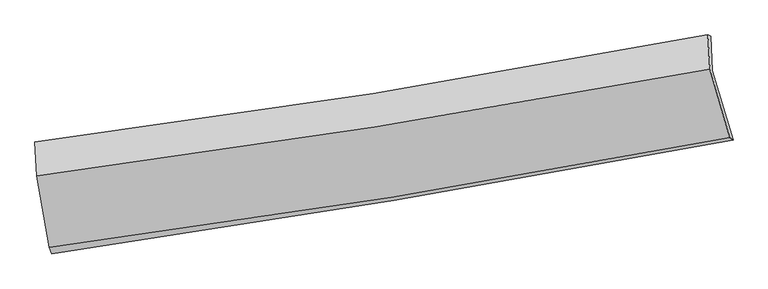
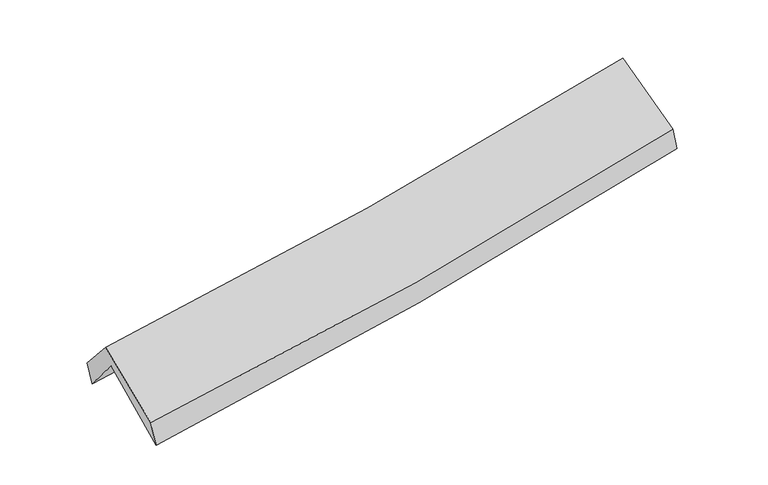
"""IFC4 building model written with IfcOpenShell, lengths in millimetres: proxy geometry."""

from ifc_helpers import new_model, si_unit, frame, origin, place, context, project, spatial, source, transform, mapped, element, save
from ifc_brep_helpers import plane_surface, spline_curve, spline_surface, advanced_brep


def generic_models_dbdd75b5(model_context):
    return source(origin(), model_context, "Body", "AdvancedBrep", [
        advanced_brep(
        [(-2373.927804, -2484.4799942, 1483.1804851), (-2465.0997259, -1982.1192052, 1926.5199475), (2389.1096616, -1163.3383759, 2369.3539928), (2537.7816084, -1663.6913171, 1940.7549733), (-2478.7051949, -1719.6496556, 1611.1936672), (2377.8375986, -915.2582603, 2057.9961861), (-2494.3738738, -1678.7815343, 1779.890353), (2356.4847947, -904.5279292, 2219.5821223), (-2480.8942376, -1924.7405617, 2063.6475704), (2370.6525845, -1151.1952858, 2504.3339785), (-2391.0060687, -2437.2356509, 1661.560884), (2513.4270583, -1645.1967492, 2114.8202515)],
        [
            (0, 1),
            (1, 2, spline_curve(3, [(-2465.0997259, -1982.1192052, 1926.5199475), (-1646.777235575, -1876.609281174, 1970.376927599), (-832.595788496, -1755.517364156, 2029.273454382), (785.453260162, -1482.512353108, 2176.960153172), (1589.341608869, -1330.677326903, 2265.674974925), (2389.1096616, -1163.3383759, 2369.3539928)], [4, 2, 4], [0.0, 8.16835491140468, 16.316221801808652])),
            (2, 3),
            (3, 0, spline_curve(3, [(2537.7816084, -1663.6913171, 1940.7549733), (1724.928068135, -1818.298294514, 1840.940795323), (909.709117329, -1963.926241242, 1752.935532748), (-727.515442648, -2237.567679574, 1600.351240976), (-1549.532962718, -2365.535958858, 1535.83167429), (-2373.927804, -2484.4799942, 1483.1804851)], [4, 2, 4], [0.0, 8.147866890403971, 16.316221801808652])),
            (1, 4),
            (4, 5, spline_curve(3, [(-2478.7051949, -1719.6496556, 1611.1936672), (-1660.773072974, -1611.732443147, 1654.386739472), (-846.591625916, -1490.640526271, 1713.283266023), (772.237180453, -1222.444053987, 1862.296115705), (1576.903331395, -1075.405505742, 1952.333761812), (2377.8375986, -915.2582603, 2057.9961861)], [4, 2, 4], [0.0, 8.121668316804609, 16.222965712800775])),
            (5, 2),
            (4, 6),
            (6, 7, spline_curve(3, [(-2494.3738738, -1678.7815343, 1779.890353), (-1678.903942105, -1573.568485876, 1832.294134615), (-866.426911732, -1456.344747107, 1895.196181684), (750.510982657, -1198.200036512, 2041.812702675), (1554.986842027, -1057.33924038, 2125.474578819), (2356.4847947, -904.5279292, 2219.5821223)], [4, 2, 4], [0.0, 8.111986041125789, 16.2036254467086])),
            (7, 5),
            (6, 8),
            (8, 9, spline_curve(3, [(-2480.8942376, -1924.7405617, 2063.6475704), (-1665.429544246, -1817.671956665, 2113.929869226), (-852.89763973, -1699.58078027, 2175.855601903), (764.269940841, -1441.677130254, 2322.809406335), (1568.920310101, -1301.919881373, 2407.77914323), (2370.6525845, -1151.1952858, 2504.3339785)], [4, 2, 4], [0.0, 8.102920154688695, 16.18551641306082])),
            (9, 7),
            (8, 10),
            (10, 11, spline_curve(3, [(-2391.0060687, -2437.2356509, 1661.560884), (-1566.549564588, -2330.726054829, 1711.080683242), (-745.109132787, -2211.369023759, 1773.676024265), (889.686798458, -1947.291688763, 1924.827990608), (1703.057409157, -1802.635752891, 2013.319105272), (2513.4270583, -1645.1967492, 2114.8202515)], [4, 2, 4], [0.0, 8.149754481173021, 16.279067595293323])),
            (11, 9),
            (10, 0),
            (3, 11),
        ],
        [
            spline_surface(3, 3, [[(-2373.927804, -2484.4799942, 1483.1804851), (-1549.532962629, -2365.535958767, 1535.831674161), (-727.515442694, -2237.567679662, 1600.351241019), (909.709117375, -1963.926241153, 1752.935532706), (1724.928068245, -1818.298294612, 1840.940795294), (2537.7816084, -1663.6913171, 1940.7549733)], [(-2404.318444628, -2317.026397844, 1630.960305885), (-1581.94772024, -2202.560399532, 1680.680091977), (-762.542224619, -2076.884241196, 1743.325312121), (868.290498294, -1803.454945133, 1894.27707284), (1679.732581823, -1655.757972031, 1982.518855166), (2488.224292808, -1496.907003365, 2083.62131316)], [(-2434.709085272, -2149.572801556, 1778.740126715), (-1614.362477867, -2039.584840366, 1825.528509838), (-797.569006543, -1916.200802683, 1886.299383283), (826.871879214, -1642.983649067, 2035.618613034), (1634.537095377, -1493.217649455, 2124.096914958), (2438.666977192, -1330.122689635, 2226.48765294)], [(-2465.0997259, -1982.1192052, 1926.5199475), (-1646.777235479, -1876.609281132, 1970.376927653), (-832.595788467, -1755.517364217, 2029.273454386), (785.453260133, -1482.512353047, 2176.960153168), (1589.341608954, -1330.677326873, 2265.67497483), (2389.1096616, -1163.3383759, 2369.3539928)]], [4, 4], [4, 2, 4], [0.0, 2.1441103388747393], [0.0, 8.16835491140468, 16.316221801808652]),
            spline_surface(3, 3, [[(-2465.0997259, -1982.1192052, 1926.5199475), (-1646.777235479, -1876.609281132, 1970.376927653), (-832.595788467, -1755.517364217, 2029.273454386), (785.453260133, -1482.512353047, 2176.960153168), (1589.341608954, -1330.677326873, 2265.67497483), (2389.1096616, -1163.3383759, 2369.3539928)], [(-2469.634882227, -1894.629355347, 1821.411187392), (-1651.442514628, -1788.317001799, 1865.046864876), (-837.261067616, -1667.225084884, 1923.943391609), (781.047900252, -1395.822920004, 2072.072140653), (1585.195516406, -1245.586719831, 2161.22790382), (2385.352307272, -1080.645004049, 2265.568057204)], [(-2474.170038573, -1807.139505453, 1716.302427308), (-1656.107793796, -1700.024722427, 1759.716802124), (-841.926346784, -1578.932805612, 1818.613328856), (776.642540351, -1309.133487021, 1967.184128164), (1581.049423841, -1160.496112743, 2056.780832898), (2381.594952928, -997.951632151, 2161.782121696)], [(-2478.7051949, -1719.6496556, 1611.1936672), (-1660.773072945, -1611.732443094, 1654.386739346), (-846.591625933, -1490.640526279, 1713.283266079), (772.237180469, -1222.444053978, 1862.296115649), (1576.903331292, -1075.405505701, 1952.333761887), (2377.8375986, -915.2582603, 2057.9961861)]], [4, 4], [4, 2, 4], [0.0, 1.3467933606481208], [0.0, 8.121668316804609, 16.222965712800775]),
            spline_surface(3, 3, [[(-2478.7051949, -1719.6496556, 1611.1936672), (-1660.773072945, -1611.732443094, 1654.386739346), (-846.591625933, -1490.640526279, 1713.283266079), (772.237180469, -1222.444053978, 1862.296115649), (1576.903331292, -1075.405505701, 1952.333761887), (2377.8375986, -915.2582603, 2057.9961861)], [(-2483.928087878, -1706.026948493, 1667.42589582), (-1666.816696023, -1599.011124005, 1713.689204467), (-853.203387906, -1479.208599849, 1773.920904644), (764.995114579, -1214.362714868, 1922.134978002), (1569.597834861, -1069.383417292, 2010.047367503), (2370.719997315, -911.681483273, 2111.858164843)], [(-2489.150980822, -1692.404241407, 1723.65812438), (-1672.860319067, -1586.289804936, 1772.991669527), (-859.81514989, -1467.77667341, 1834.558543148), (757.753048678, -1206.28137575, 1981.973840294), (1562.292338386, -1063.361328864, 2067.760973091), (2363.602395985, -908.104706227, 2165.720143557)], [(-2494.3738738, -1678.7815343, 1779.890353), (-1678.903942145, -1573.568485847, 1832.294134647), (-866.426911864, -1456.34474698, 1895.196181713), (750.510982788, -1198.200036639, 2041.812702646), (1554.986841956, -1057.339240455, 2125.474578706), (2356.4847947, -904.5279292, 2219.5821223)]], [4, 4], [4, 2, 4], [0.0, 0.6044951389993385], [0.0, 8.111986041125789, 16.2036254467086]),
            spline_surface(3, 3, [[(-2494.3738738, -1678.7815343, 1779.890353), (-1678.903942145, -1573.568485847, 1832.294134647), (-866.426911864, -1456.34474698, 1895.196181713), (750.510982788, -1198.200036639, 2041.812702646), (1554.986841956, -1057.339240455, 2125.474578706), (2356.4847947, -904.5279292, 2219.5821223)], [(-2489.88066172, -1760.767876758, 1874.476092116), (-1674.412476169, -1654.936309445, 1926.172712852), (-861.917154433, -1537.423424735, 1988.749321735), (755.097302108, -1279.359067847, 2135.478270583), (1559.63133132, -1138.866120751, 2219.576100254), (2361.207391276, -986.750381396, 2314.4994077)], [(-2485.38744968, -1842.754219242, 1969.061831284), (-1669.921010234, -1736.304133068, 2020.051291109), (-857.407397035, -1618.502102498, 2082.302461758), (759.683621396, -1360.518099063, 2229.143838521), (1564.275820756, -1220.39300106, 2313.677621802), (2365.929987924, -1068.972833604, 2409.4166931)], [(-2480.8942376, -1924.7405617, 2063.6475704), (-1665.429544258, -1817.671956665, 2113.929869314), (-852.897639604, -1699.580780253, 2175.85560178), (764.269940716, -1441.677130271, 2322.809406458), (1568.92031012, -1301.919881356, 2407.77914335), (2370.6525845, -1151.1952858, 2504.3339785)]], [4, 4], [4, 2, 4], [0.0, 1.2199810603422725], [0.0, 8.102920154688695, 16.18551641306082]),
            spline_surface(3, 3, [[(-2480.8942376, -1924.7405617, 2063.6475704), (-1665.429544258, -1817.671956665, 2113.929869314), (-852.897639604, -1699.580780253, 2175.85560178), (764.269940716, -1441.677130271, 2322.809406458), (1568.92031012, -1301.919881356, 2407.77914335), (2370.6525845, -1151.1952858, 2504.3339785)], [(-2450.931514637, -2095.572258098, 1929.618674935), (-1632.469551034, -1988.689989382, 1979.646807323), (-816.96813736, -1870.176861381, 2041.795742618), (806.075559973, -1610.215316475, 2190.148934474), (1613.632676457, -1468.825171836, 2276.292464025), (2418.244075764, -1315.862440261, 2374.496069499)], [(-2420.968791663, -2266.403954502, 1795.589779465), (-1599.509557799, -2159.708022103, 1845.363745328), (-781.038635088, -2040.77294251, 1907.735883492), (847.881179257, -1778.75350268, 2057.488462527), (1658.345042803, -1635.730462334, 2144.805784704), (2465.835567036, -1480.529594739, 2244.658160501)], [(-2391.0060687, -2437.2356509, 1661.560884), (-1566.549564575, -2330.726054819, 1711.080683337), (-745.109132843, -2211.369023638, 1773.67602433), (889.686798514, -1947.291688884, 1924.827990543), (1703.057409139, -1802.635752814, 2013.319105379), (2513.4270583, -1645.1967492, 2114.8202515)]], [4, 4], [4, 2, 4], [0.0, 2.157497462764025], [0.0, 8.149754481173021, 16.279067595293323]),
            spline_surface(3, 3, [[(-2391.0060687, -2437.2356509, 1661.560884), (-1566.549564575, -2330.726054819, 1711.080683337), (-745.109132843, -2211.369023638, 1773.67602433), (889.686798514, -1947.291688884, 1924.827990543), (1703.057409139, -1802.635752814, 2013.319105379), (2513.4270583, -1645.1967492, 2114.8202515)], [(-2385.313313811, -2452.98376536, 1602.100751053), (-1560.877363937, -2342.329356161, 1652.664346965), (-739.244569472, -2220.101908984, 1715.901096581), (896.360904789, -1952.836539645, 1867.530504618), (1710.34762884, -1807.856600071, 1955.859668679), (2521.545241666, -1651.361605157, 2056.798492095)], [(-2379.620558889, -2468.73187974, 1542.640618047), (-1555.205163267, -2353.932657425, 1594.248010534), (-733.380006066, -2228.834794316, 1658.126168768), (903.035011099, -1958.381390392, 1810.23301863), (1717.637848544, -1813.077447355, 1898.400231994), (2529.663425034, -1657.526461143, 1998.776732705)], [(-2373.927804, -2484.4799942, 1483.1804851), (-1549.532962629, -2365.535958767, 1535.831674161), (-727.515442694, -2237.567679662, 1600.351241019), (909.709117375, -1963.926241153, 1752.935532706), (1724.928068245, -1818.298294612, 1840.940795294), (2537.7816084, -1663.6913171, 1940.7549733)]], [4, 4], [4, 2, 4], [0.0, 0.5739798353624246], [0.0, 8.205609787073316, 16.39063810976799]),
            plane_surface(frame((2424.215551, -1240.5346529, 2201.1402507), z_axis=(0.9748583444464474, 0.1901301325540721, 0.11619699203552156), x_axis=(0.22132440370554568, -0.7657852024216577, -0.6038116693774686))),
            plane_surface(frame((-2447.3344842, -2037.8344336, 1754.3321512), z_axis=(-0.9901992295179033, -0.12534040282139686, -0.06160575689593459), x_axis=(-0.09215586278974676, 0.25493475540669674, 0.9625567866049282))),
        ],
        [
            (0, [[1, 2, 3, 4]]),
            (1, [[5, 6, 7, -2]]),
            (2, [[8, 9, 10, -6]]),
            (3, [[11, 12, 13, -9]]),
            (4, [[14, 15, 16, -12]]),
            (5, [[17, -4, 18, -15]]),
            (6, [[-16, -18, -3, -7, -10, -13]]),
            (7, [[-17, -14, -11, -8, -5, -1]]),
        ],
    ),
    ])


if __name__ == "__main__":
    model = new_model("IFC4")
    model_context = context("Model", 3, world=origin())
    ifc_project = project(units=[si_unit("LENGTHUNIT", "METRE", prefix="MILLI")], contexts=[model_context])
    site = spatial("IfcSite", under=ifc_project)
    building = spatial("IfcBuilding", under=site)
    placement = place(None, origin())
    generic_models_shape = generic_models_dbdd75b5(model_context)
    element("IfcBuildingElementProxy", 1, Name="Generic Models", at=placement, inside=building, context=model_context, shape_type="MappedRepresentation", body=[
        mapped(generic_models_shape, transform((0.0, 0.0, 0.0), x_axis=(1.0, 0.0, 0.0), y_axis=(0.0, 1.0, 0.0), z_axis=(0.0, 0.0, 1.0))),
    ])
    save(model, "model.ifc")
